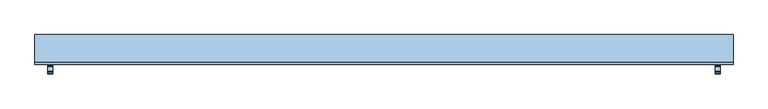
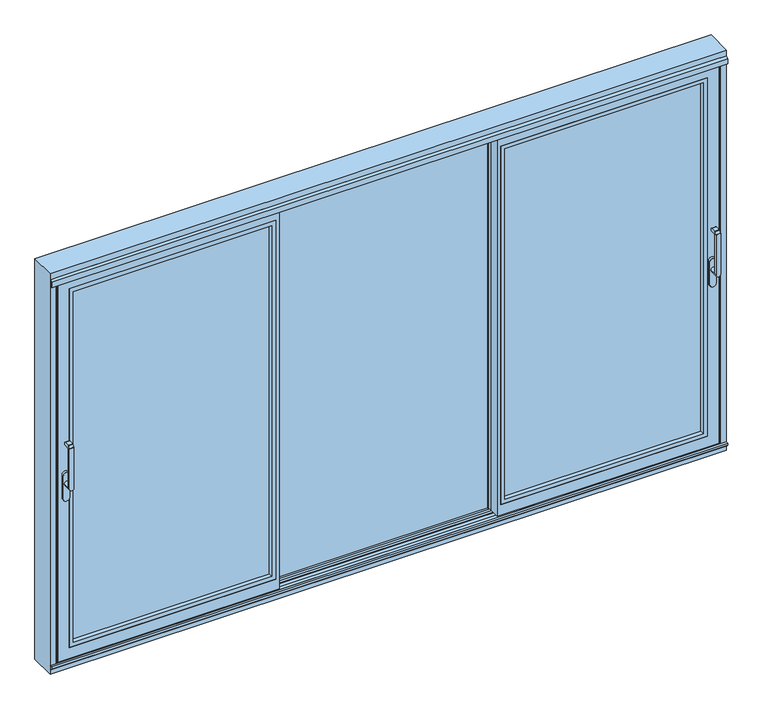
"""IFC4 building model written with IfcOpenShell, lengths in millimetres: window geometry."""

from ifc_helpers import new_model, si_unit, point, frame, frame_2d, origin, origin_with_axes, place, context, project, spatial, polyline, circle_curve, trimmed, segment, composite_curve, outline, extrude, faceted_brep, source, transform, mapped, element, save
from ifc_brep_helpers import plane_surface, cylinder_surface, revolved_surface, advanced_brep


def window_7bacae28(model_context):
    return source(origin(), model_context, "Body", "SolidModel", [
        advanced_brep(
        [(1723.75, -121.9999695, 999.0), (1723.75, -121.9999695, 1224.2360009), (1699.75, -121.9999695, 1224.2360009), (1699.75, -121.9999695, 999.0), (1723.75, -73.9999695, 999.005052), (1699.75, -73.9999695, 999.005052), (1699.75, -109.9999695, 999.005052), (1723.75, -109.9999695, 999.005052), (1699.75, -121.414183, 1225.6502145), (1699.75, -110.6501229, 1236.4142746), (1699.75, -109.2359094, 1237.000061), (1699.75, -81.9999695, 1237.000061), (1699.75, -79.9999695, 1235.000061), (1699.75, -79.9999695, 1224.000061), (1699.75, -81.9999695, 1222.000061), (1699.75, -102.6493095, 1222.000061), (1699.75, -109.9999695, 1214.6494011), (1723.75, -109.9999695, 1214.6494011), (1723.75, -102.6493095, 1222.000061), (1723.75, -81.9999695, 1222.000061), (1723.75, -79.9999695, 1224.000061), (1723.75, -79.9999695, 1235.000061), (1723.75, -81.9999695, 1237.000061), (1723.75, -109.2359094, 1237.000061), (1723.75, -110.6501229, 1236.4142746), (1723.75, -121.414183, 1225.6502145)],
        [
            (0, 1),
            (1, 2),
            (2, 3),
            (3, 0, circle_curve(frame((1711.75, -121.9999695, 999.005052), z_axis=(0.0, -1.0, 0.0), x_axis=(-1.0000000000000009, 0.0, 0.0)), 12.0)),
            (4, 5, circle_curve(frame((1711.75, -73.9999695, 999.005052), z_axis=(0.0, 1.0, 0.0), x_axis=(-1.0000000000000009, 0.0, 0.0)), 12.0)),
            (5, 4, circle_curve(frame((1711.75, -73.9999695, 999.005052), z_axis=(0.0, 1.0, 0.0), x_axis=(-1.0000000000000009, 0.0, 0.0)), 12.0)),
            (3, 6),
            (6, 5),
            (4, 7),
            (7, 0),
            (6, 7, circle_curve(frame((1711.75, -109.9999695, 999.005052), z_axis=(0.0, 1.0, 0.0), x_axis=(-1.0000000000000009, 0.0, 0.0)), 12.0)),
            (2, 8, circle_curve(frame((1699.75, -119.9999695, 1224.2360009), z_axis=(-1.0, 0.0, 0.0), x_axis=(0.0, 0.0, -1.0)), 2.0)),
            (8, 9),
            (9, 10, circle_curve(frame((1699.75, -109.2359094, 1235.000061), z_axis=(-1.0, 0.0, 0.0), x_axis=(0.0, 0.0, -1.0)), 2.0)),
            (10, 11),
            (11, 12, circle_curve(frame((1699.75, -81.9999695, 1235.000061), z_axis=(-1.0, 0.0, 0.0), x_axis=(0.0, 0.0, -1.0)), 2.0)),
            (12, 13),
            (13, 14, circle_curve(frame((1699.75, -81.9999695, 1224.000061), z_axis=(-1.0, 0.0, 0.0), x_axis=(0.0, 0.0, -1.0)), 2.0)),
            (14, 15),
            (15, 16, circle_curve(frame((1699.75, -102.6493095, 1214.6494011), z_axis=(1.0, 0.0, 0.0), x_axis=(0.0, 0.0, -1.0)), 7.35066)),
            (16, 6),
            (7, 17),
            (17, 18, circle_curve(frame((1723.75, -102.6493095, 1214.6494011), z_axis=(-1.0, 0.0, 0.0), x_axis=(0.0, 0.0, -1.0)), 7.35066)),
            (18, 19),
            (19, 20, circle_curve(frame((1723.75, -81.9999695, 1224.000061), z_axis=(1.0, 0.0, 0.0), x_axis=(0.0, 0.0, -1.0)), 2.0)),
            (20, 21),
            (21, 22, circle_curve(frame((1723.75, -81.9999695, 1235.000061), z_axis=(1.0, 0.0, 0.0), x_axis=(0.0, 0.0, -1.0)), 2.0)),
            (22, 23),
            (23, 24, circle_curve(frame((1723.75, -109.2359094, 1235.000061), z_axis=(1.0, 0.0, 0.0), x_axis=(0.0, 0.0, -1.0)), 2.0)),
            (24, 25),
            (25, 1, circle_curve(frame((1723.75, -119.9999695, 1224.2360009), z_axis=(1.0, 0.0, 0.0), x_axis=(0.0, 0.0, -1.0)), 2.0)),
            (16, 17),
            (15, 18),
            (14, 19),
            (13, 20),
            (12, 21),
            (11, 22),
            (10, 23),
            (9, 24),
            (8, 25),
        ],
        [
            plane_surface(frame((1699.75, -121.9999695, 999.005052), z_axis=(0.0, -1.0, 0.0), x_axis=(0.0, 0.0, 1.0))),
            plane_surface(frame((1699.75, -73.9999695, 999.005052), z_axis=(0.0, 1.0, 0.0), x_axis=(0.0, 0.0, -1.0))),
            cylinder_surface(frame((1711.75, -73.9999695, 999.005052), z_axis=(0.0, -1.0000000000000009, 0.0), x_axis=(-1.0000000000000009, 0.0, 0.0)), 12.0),
            plane_surface(frame((1699.75, -121.9999695, 1004.7503433), z_axis=(-1.0, 0.0, 0.0), x_axis=(0.0, 0.0, -1.0))),
            plane_surface(frame((1723.75, -121.9999695, 1004.7503433), z_axis=(1.0, 0.0, 0.0), x_axis=(0.0, 0.0, 1.0))),
            plane_surface(frame((1699.75, -109.9999695, 999.0), z_axis=(0.0, 1.0, 0.0), x_axis=(1.0, 0.0, 0.0))),
            revolved_surface(polyline([(1723.75, -102.6493095, 1207.2987411), (1699.75, -102.6493095, 1207.2987411)]), (1723.75, -102.6493095, 1214.6494011), (1.0000000000000009, 0.0, 0.0)),
            plane_surface(frame((1699.75, -102.6493095, 1222.000061), z_axis=(0.0, 0.0, -1.0), x_axis=(1.0, 0.0, 0.0))),
            cylinder_surface(frame((1723.75, -81.9999695, 1224.000061), z_axis=(-1.0000000000000009, 0.0, 0.0), x_axis=(0.0, 0.0, -1.0)), 2.0),
            plane_surface(frame((1699.75, -79.9999695, 1224.000061), z_axis=(0.0, 1.0, 0.0), x_axis=(1.0, 0.0, 0.0))),
            cylinder_surface(frame((1723.75, -81.9999695, 1235.000061), z_axis=(-1.0000000000000009, 0.0, 0.0), x_axis=(0.0, 0.0, -1.0)), 2.0),
            plane_surface(frame((1699.75, -81.9999695, 1237.000061), z_axis=(0.0, 0.0, 1.0), x_axis=(1.0, 0.0, 0.0))),
            cylinder_surface(frame((1723.75, -109.2359094, 1235.000061), z_axis=(-1.0000000000000009, 0.0, 0.0), x_axis=(0.0, 0.0, -1.0)), 2.0),
            plane_surface(frame((1699.75, -110.6501229, 1236.4142746), z_axis=(0.0, -0.7071067811865419, 0.7071067811865531), x_axis=(1.0, 0.0, 0.0))),
            cylinder_surface(frame((1723.75, -119.9999695, 1224.2360009), z_axis=(-1.0000000000000009, 0.0, 0.0), x_axis=(0.0, 0.0, -1.0)), 2.0),
        ],
        [
            (0, [[1, 2, 3, 4]]),
            (1, [[5, 6]]),
            (2, [[7, 8, -5, 9, 10, -4]]),
            (2, [[-8, 11, -9, -6]]),
            (3, [[12, 13, 14, 15, 16, 17, 18, 19, 20, 21, -7, -3]]),
            (4, [[-1, -10, 22, 23, 24, 25, 26, 27, 28, 29, 30, 31]]),
            (5, [[32, -22, -11, -21]]),
            (6, [[33, -23, -32, -20]]),
            (7, [[34, -24, -33, -19]]),
            (8, [[35, -25, -34, -18]]),
            (9, [[36, -26, -35, -17]]),
            (10, [[37, -27, -36, -16]]),
            (11, [[38, -28, -37, -15]]),
            (12, [[39, -29, -38, -14]]),
            (13, [[40, -30, -39, -13]]),
            (14, [[-2, -31, -40, -12]]),
        ],
    ),
        extrude(outline(composite_curve([segment(polyline([(917.2823932, 1728.5), (1044.0099288, 1728.5)]), True, "CONTINUOUS"), segment(trimmed(circle_curve(frame_2d((1044.0099288, 1711.75)), 16.75), [point((1044.0099288, 1728.5))], [point((1044.0099288, 1695.0))], False, "CARTESIAN"), True, "CONTINUOUS"), segment(polyline([(1044.0099288, 1695.0), (917.2823932, 1695.0)]), True, "CONTINUOUS"), segment(trimmed(circle_curve(frame_2d((917.2823932, 1711.75)), 16.75), [point((917.2823932, 1695.0))], [point((917.2823932, 1728.5))], False, "CARTESIAN"), True, "CONTINUOUS")], self_intersect=False)), frame((0.0, -73.9999695, 0.0), z_axis=(0.0, 1.0, 0.0), x_axis=(0.0, 0.0, 1.0)), (0.0, 0.0, 1.0), 13.9999695),
        extrude(outline(polyline([(596.6666667, -2.55e-05), (576.6666667, -2.55e-05), (576.6666667, 15.9999745), (596.6666667, 15.9999745), (596.6666667, -2.55e-05)])), frame((0.0, 0.0, 4.0), z_axis=(0.0, 0.0, 1.0), x_axis=(1.0, 0.0, 0.0)), (0.0, 0.0, 1.0), 2127.0),
        faceted_brep([(1668.0, -2.55e-05, 86.0), (616.6666667, -2.55e-05, 86.0), (616.6666667, -11.0000344, 86.0), (1668.0, -11.0000344, 86.0), (594.6666667, -11.0000344, 64.0), (594.6666667, -60.0, 64.0), (1690.0, -60.0, 64.0), (1690.0, -11.0000344, 64.0), (1750.0017184, -2.55e-05, 4.0), (1750.0017184, -5.4999923, 4.0), (616.6666667, -5.4999923, 4.0), (616.6666667, -11.0000344, 4.0), (594.6666667, -11.0000344, 4.0), (594.6666667, -54.5, 4.0), (1750.0, -54.5, 4.0), (1750.0, -60.0, 4.0), (576.6666667, -60.0, 4.0), (576.6666667, -2.55e-05, 4.0), (1720.0, -54.5, 34.0), (594.6666667, -54.5, 34.0), (594.6666667, -11.0000344, 34.0), (616.6666667, -11.0000344, 34.0), (616.6666667, -5.4999923, 34.0), (1720.0, -5.4999923, 34.0), (1668.0, -2.55e-05, 2049.0), (1668.0, -11.0000344, 2049.0), (1690.0, -11.0000344, 2071.0), (1690.0, -60.0, 2071.0), (1750.0, -60.0, 2131.0), (1750.0, -54.5, 2131.0), (1720.0, -54.5, 2101.0), (1720.0, -5.4999923, 2101.0), (1750.0017184, -5.4999923, 2131.0017184), (1750.0017184, -2.55e-05, 2131.0017184), (616.6666667, -11.0000344, 2049.0), (616.6666667, -2.55e-05, 2049.0), (594.6666667, -60.0, 2071.0), (594.6666667, -11.0000344, 2071.0), (576.6666667, -60.0, 2131.0), (594.6666667, -54.5, 2131.0), (594.6666667, -11.0000344, 2131.0), (616.6666667, -11.0000344, 2131.0), (616.6666667, -5.4999923, 2131.0), (576.6666667, -2.55e-05, 2131.0), (616.6666667, -5.4999923, 2101.0), (616.6666667, -11.0000344, 2101.0), (594.6666667, -11.0000344, 2101.0), (594.6666667, -54.5, 2101.0)], [[[0, 1, 2, 3]], [[4, 5, 6, 7]], [[8, 9, 10, 11, 12, 13, 14, 15, 16, 17]], [[18, 19, 20, 21, 22, 23]], [[24, 0, 3, 25]], [[26, 7, 6, 27]], [[28, 15, 14, 29]], [[30, 18, 23, 31]], [[32, 9, 8, 33]], [[25, 34, 35, 24]], [[27, 36, 37, 26]], [[38, 28, 29, 39, 40, 41, 42, 32, 33, 43]], [[31, 44, 45, 46, 47, 30]], [[43, 17, 16, 38]], [[16, 15, 28, 38], [27, 6, 5, 36]], [[33, 8, 17, 43], [0, 24, 35, 1]], [[35, 34, 2, 1]], [[41, 45, 44, 42]], [[10, 22, 21, 11]], [[26, 37, 4, 7], [3, 2, 34, 25]], [[11, 21, 20, 12]], [[40, 46, 45, 41]], [[37, 36, 5, 4]], [[12, 20, 19, 13]], [[39, 47, 46, 40]], [[14, 13, 19, 18, 30, 47, 39, 29]], [[23, 22, 10, 9, 32, 42, 44, 31]]]),
        extrude(outline(polyline([(64.0, 594.6666667), (64.0, 1690.0), (2071.0, 1690.0), (2071.0, 594.6666667), (64.0, 594.6666667)]), holes=[polyline([(86.012649, 616.6793157), (2048.987351, 616.6793157), (2048.987351, 1667.987351), (86.012649, 1667.987351), (86.012649, 616.6793157)])]), frame((0.0, -60.0, 0.0), z_axis=(0.0, 1.0, 0.0), x_axis=(0.0, 0.0, 1.0)), (0.0, 0.0, 1.0), 22.9999656),
        extrude(outline(polyline([(1690.0, -11.0000344), (1690.0, -37.0000344), (594.6666667, -37.0000344), (594.6666667, -11.0000344), (1690.0, -11.0000344)])), frame((0.0, 0.0, 64.0), z_axis=(0.0, 0.0, 1.0), x_axis=(1.0, 0.0, 0.0)), (0.0, 0.0, 1.0), 2007.0),
        advanced_brep(
        [(-1723.75, -121.9999695, 999.005052), (-1699.75, -121.9999695, 999.005052), (-1699.75, -121.9999695, 1224.2360009), (-1723.75, -121.9999695, 1224.2360009), (-1723.75, -73.9999695, 999.005052), (-1699.75, -73.9999695, 999.005052), (-1723.75, -109.9999695, 999.005052), (-1699.75, -109.9999695, 999.005052), (-1699.75, -109.9999695, 1214.6494011), (-1699.75, -102.6493095, 1222.000061), (-1699.75, -81.9999695, 1222.000061), (-1699.75, -79.9999695, 1224.000061), (-1699.75, -79.9999695, 1235.000061), (-1699.75, -81.9999695, 1237.000061), (-1699.75, -109.2359094, 1237.000061), (-1699.75, -110.6501229, 1236.4142746), (-1699.75, -121.414183, 1225.6502145), (-1723.75, -121.414183, 1225.6502145), (-1723.75, -110.6501229, 1236.4142746), (-1723.75, -109.2359094, 1237.000061), (-1723.75, -81.9999695, 1237.000061), (-1723.75, -79.9999695, 1235.000061), (-1723.75, -79.9999695, 1224.000061), (-1723.75, -81.9999695, 1222.000061), (-1723.75, -102.6493095, 1222.000061), (-1723.75, -109.9999695, 1214.6494011)],
        [
            (0, 1, circle_curve(frame((-1711.75, -121.9999695, 999.005052), z_axis=(0.0, -1.0, 0.0), x_axis=(1.0000000000000009, 0.0, 0.0)), 12.0)),
            (1, 2),
            (2, 3),
            (3, 0),
            (4, 5, circle_curve(frame((-1711.75, -73.9999695, 999.005052), z_axis=(0.0, 1.0, 0.0), x_axis=(1.0000000000000009, 0.0, 0.0)), 12.0)),
            (5, 4, circle_curve(frame((-1711.75, -73.9999695, 999.005052), z_axis=(0.0, 1.0, 0.0), x_axis=(1.0000000000000009, 0.0, 0.0)), 12.0)),
            (0, 6),
            (6, 4),
            (5, 7),
            (7, 1),
            (6, 7, circle_curve(frame((-1711.75, -109.9999695, 999.005052), z_axis=(0.0, 1.0, 0.0), x_axis=(1.0000000000000009, 0.0, 0.0)), 12.0)),
            (7, 8),
            (8, 9, circle_curve(frame((-1699.75, -102.6493095, 1214.6494011), z_axis=(-1.0, 0.0, 0.0), x_axis=(0.0, 0.0, -1.0)), 7.35066)),
            (9, 10),
            (10, 11, circle_curve(frame((-1699.75, -81.9999695, 1224.000061), z_axis=(1.0, 0.0, 0.0), x_axis=(0.0, 0.0, -1.0)), 2.0)),
            (11, 12),
            (12, 13, circle_curve(frame((-1699.75, -81.9999695, 1235.000061), z_axis=(1.0, 0.0, 0.0), x_axis=(0.0, 0.0, -1.0)), 2.0)),
            (13, 14),
            (14, 15, circle_curve(frame((-1699.75, -109.2359094, 1235.000061), z_axis=(1.0, 0.0, 0.0), x_axis=(0.0, 0.0, -1.0)), 2.0)),
            (15, 16),
            (16, 2, circle_curve(frame((-1699.75, -119.9999695, 1224.2360009), z_axis=(1.0, 0.0, 0.0), x_axis=(0.0, 0.0, -1.0)), 2.0)),
            (3, 17, circle_curve(frame((-1723.75, -119.9999695, 1224.2360009), z_axis=(-1.0, 0.0, 0.0), x_axis=(0.0, 0.0, -1.0)), 2.0)),
            (17, 18),
            (18, 19, circle_curve(frame((-1723.75, -109.2359094, 1235.000061), z_axis=(-1.0, 0.0, 0.0), x_axis=(0.0, 0.0, -1.0)), 2.0)),
            (19, 20),
            (20, 21, circle_curve(frame((-1723.75, -81.9999695, 1235.000061), z_axis=(-1.0, 0.0, 0.0), x_axis=(0.0, 0.0, -1.0)), 2.0)),
            (21, 22),
            (22, 23, circle_curve(frame((-1723.75, -81.9999695, 1224.000061), z_axis=(-1.0, 0.0, 0.0), x_axis=(0.0, 0.0, -1.0)), 2.0)),
            (23, 24),
            (24, 25, circle_curve(frame((-1723.75, -102.6493095, 1214.6494011), z_axis=(1.0, 0.0, 0.0), x_axis=(0.0, 0.0, -1.0)), 7.35066)),
            (25, 6),
            (25, 8),
            (24, 9),
            (23, 10),
            (22, 11),
            (21, 12),
            (20, 13),
            (19, 14),
            (18, 15),
            (17, 16),
        ],
        [
            plane_surface(frame((-1699.75, -121.9999695, 999.005052), z_axis=(0.0, -1.0, 0.0), x_axis=(0.0, 0.0, 1.0))),
            plane_surface(frame((-1699.75, -73.9999695, 999.005052), z_axis=(0.0, 1.0, 0.0), x_axis=(0.0, 0.0, -1.0))),
            cylinder_surface(frame((-1711.75, -73.9999695, 999.005052), z_axis=(0.0, -1.0000000000000009, 0.0), x_axis=(1.0000000000000009, 0.0, 0.0)), 12.0),
            plane_surface(frame((-1699.75, -121.9999695, 1004.7503433), z_axis=(1.0, 0.0, 0.0), x_axis=(0.0, 0.0, -1.0))),
            plane_surface(frame((-1723.75, -121.9999695, 1004.7503433), z_axis=(-1.0, 0.0, 0.0), x_axis=(0.0, 0.0, 1.0))),
            plane_surface(frame((-1699.75, -109.9999695, 999.0), z_axis=(0.0, 1.0, 0.0), x_axis=(-1.0, 0.0, 0.0))),
            revolved_surface(polyline([(-1723.75, -102.6493095, 1207.2987411), (-1699.75, -102.6493095, 1207.2987411)]), (-1723.75, -102.6493095, 1214.6494011), (-1.0000000000000009, 0.0, 0.0)),
            plane_surface(frame((-1699.75, -102.6493095, 1222.000061), z_axis=(0.0, 0.0, -1.0), x_axis=(-1.0, 0.0, 0.0))),
            cylinder_surface(frame((-1723.75, -81.9999695, 1224.000061), z_axis=(1.0000000000000009, 0.0, 0.0), x_axis=(0.0, 0.0, -1.0)), 2.0),
            plane_surface(frame((-1699.75, -79.9999695, 1224.000061), z_axis=(0.0, 1.0, 0.0), x_axis=(-1.0, 0.0, 0.0))),
            cylinder_surface(frame((-1723.75, -81.9999695, 1235.000061), z_axis=(1.0000000000000009, 0.0, 0.0), x_axis=(0.0, 0.0, -1.0)), 2.0),
            plane_surface(frame((-1699.75, -81.9999695, 1237.000061), z_axis=(0.0, 0.0, 1.0), x_axis=(-1.0, 0.0, 0.0))),
            cylinder_surface(frame((-1723.75, -109.2359094, 1235.000061), z_axis=(1.0000000000000009, 0.0, 0.0), x_axis=(0.0, 0.0, -1.0)), 2.0),
            plane_surface(frame((-1699.75, -110.6501229, 1236.4142746), z_axis=(0.0, -0.7071067811865419, 0.7071067811865531), x_axis=(-1.0, 0.0, 0.0))),
            cylinder_surface(frame((-1723.75, -119.9999695, 1224.2360009), z_axis=(1.0000000000000009, 0.0, 0.0), x_axis=(0.0, 0.0, -1.0)), 2.0),
        ],
        [
            (0, [[1, 2, 3, 4]]),
            (1, [[5, 6]]),
            (2, [[-1, 7, 8, -6, 9, 10]]),
            (2, [[-5, -8, 11, -9]]),
            (3, [[-2, -10, 12, 13, 14, 15, 16, 17, 18, 19, 20, 21]]),
            (4, [[22, 23, 24, 25, 26, 27, 28, 29, 30, 31, -7, -4]]),
            (5, [[-12, -11, -31, 32]]),
            (6, [[-13, -32, -30, 33]]),
            (7, [[-14, -33, -29, 34]]),
            (8, [[-15, -34, -28, 35]]),
            (9, [[-16, -35, -27, 36]]),
            (10, [[-17, -36, -26, 37]]),
            (11, [[-18, -37, -25, 38]]),
            (12, [[-19, -38, -24, 39]]),
            (13, [[-20, -39, -23, 40]]),
            (14, [[-21, -40, -22, -3]]),
        ],
    ),
        extrude(outline(composite_curve([segment(trimmed(circle_curve(frame_2d((917.2823932, -1711.75)), 16.75), [point((917.2823932, -1728.5))], [point((917.2823932, -1695.0))], False, "CARTESIAN"), True, "CONTINUOUS"), segment(polyline([(917.2823932, -1695.0), (1044.0099288, -1695.0)]), True, "CONTINUOUS"), segment(trimmed(circle_curve(frame_2d((1044.0099288, -1711.75)), 16.75), [point((1044.0099288, -1695.0))], [point((1044.0099288, -1728.5))], False, "CARTESIAN"), True, "CONTINUOUS"), segment(polyline([(1044.0099288, -1728.5), (917.2823932, -1728.5)]), True, "CONTINUOUS")], self_intersect=False)), frame((0.0, -73.9999695, 0.0), z_axis=(0.0, 1.0, 0.0), x_axis=(0.0, 0.0, 1.0)), (0.0, 0.0, 1.0), 13.9999695),
        extrude(outline(polyline([(-596.6666667, -2.55e-05), (-596.6666667, 15.9999745), (-576.6666667, 15.9999745), (-576.6666667, -2.55e-05), (-596.6666667, -2.55e-05)])), frame((0.0, 0.0, 4.0), z_axis=(0.0, 0.0, 1.0), x_axis=(1.0, 0.0, 0.0)), (0.0, 0.0, 1.0), 2127.0),
        faceted_brep([(-1668.0, -2.55e-05, 86.0), (-1668.0, -11.0000344, 86.0), (-616.6666667, -11.0000344, 86.0), (-616.6666667, -2.55e-05, 86.0), (-594.6666667, -11.0000344, 64.0), (-1690.0, -11.0000344, 64.0), (-1690.0, -60.0, 64.0), (-594.6666667, -60.0, 64.0), (-1750.0017184, -2.55e-05, 4.0), (-576.6666667, -2.55e-05, 4.0), (-576.6666667, -60.0, 4.0), (-1750.0, -60.0, 4.0), (-1750.0, -54.5, 4.0), (-594.6666667, -54.5, 4.0), (-594.6666667, -11.0000344, 4.0), (-616.6666667, -11.0000344, 4.0), (-616.6666667, -5.4999923, 4.0), (-1750.0017184, -5.4999923, 4.0), (-1720.0, -54.5, 34.0), (-1720.0, -5.4999923, 34.0), (-616.6666667, -5.4999923, 34.0), (-616.6666667, -11.0000344, 34.0), (-594.6666667, -11.0000344, 34.0), (-594.6666667, -54.5, 34.0), (-1668.0, -2.55e-05, 2049.0), (-1668.0, -11.0000344, 2049.0), (-1690.0, -11.0000344, 2071.0), (-1690.0, -60.0, 2071.0), (-1750.0, -60.0, 2131.0), (-1750.0, -54.5, 2131.0), (-1720.0, -54.5, 2101.0), (-1720.0, -5.4999923, 2101.0), (-1750.0017184, -5.4999923, 2131.0017184), (-1750.0017184, -2.55e-05, 2131.0017184), (-616.6666667, -2.55e-05, 2049.0), (-616.6666667, -11.0000344, 2049.0), (-594.6666667, -11.0000344, 2071.0), (-594.6666667, -60.0, 2071.0), (-576.6666667, -60.0, 2131.0), (-576.6666667, -2.55e-05, 2131.0), (-616.6666667, -5.4999923, 2131.0), (-616.6666667, -11.0000344, 2131.0), (-594.6666667, -11.0000344, 2131.0), (-594.6666667, -54.5, 2131.0), (-594.6666667, -54.5, 2101.0), (-594.6666667, -11.0000344, 2101.0), (-616.6666667, -11.0000344, 2101.0), (-616.6666667, -5.4999923, 2101.0)], [[[0, 1, 2, 3]], [[4, 5, 6, 7]], [[8, 9, 10, 11, 12, 13, 14, 15, 16, 17]], [[18, 19, 20, 21, 22, 23]], [[24, 25, 1, 0]], [[26, 27, 6, 5]], [[28, 29, 12, 11]], [[30, 31, 19, 18]], [[32, 33, 8, 17]], [[25, 24, 34, 35]], [[27, 26, 36, 37]], [[38, 39, 33, 32, 40, 41, 42, 43, 29, 28]], [[31, 30, 44, 45, 46, 47]], [[39, 38, 10, 9]], [[10, 38, 28, 11], [27, 37, 7, 6]], [[33, 39, 9, 8], [0, 3, 34, 24]], [[16, 15, 21, 20]], [[41, 40, 47, 46]], [[34, 3, 2, 35]], [[15, 14, 22, 21]], [[26, 5, 4, 36], [1, 25, 35, 2]], [[42, 41, 46, 45]], [[14, 13, 23, 22]], [[43, 42, 45, 44]], [[36, 4, 7, 37]], [[12, 29, 43, 44, 30, 18, 23, 13]], [[19, 31, 47, 40, 32, 17, 16, 20]]]),
        extrude(outline(polyline([(64.0, -594.6666667), (2071.0, -594.6666667), (2071.0, -1690.0), (64.0, -1690.0), (64.0, -594.6666667)]), holes=[polyline([(86.012649, -616.6793157), (86.012649, -1667.987351), (2048.987351, -1667.987351), (2048.987351, -616.6793157), (86.012649, -616.6793157)])]), frame((0.0, -60.0, 0.0), z_axis=(0.0, 1.0, 0.0), x_axis=(0.0, 0.0, 1.0)), (0.0, 0.0, 1.0), 22.9999656),
        extrude(outline(polyline([(-1690.0, -11.0000344), (-594.6666667, -11.0000344), (-594.6666667, -37.0000344), (-1690.0, -37.0000344), (-1690.0, -11.0000344)])), frame((0.0, 0.0, 64.0), z_axis=(0.0, 0.0, 1.0), x_axis=(1.0, 0.0, 0.0)), (0.0, 0.0, 1.0), 2007.0),
        extrude(outline(polyline([(600.6666361, 30.9998071), (-600.6666361, 30.9998071), (-600.6666361, 56.9998071), (600.6666361, 56.9998071), (600.6666361, 30.9998071)])), frame((0.0, 0.0, -25.0), z_axis=(0.0, 0.0, 1.0), x_axis=(1.0, 0.0, 0.0)), (0.0, 0.0, 1.0), 2189.0),
        extrude(outline(polyline([(2164.0, -600.6666361), (-25.0, -600.6666361), (-25.0, 600.6666361), (2164.0, 600.6666361), (2164.0, -600.6666361)]), holes=[polyline([(2141.9998171, 578.6664532), (-2.9998171, 578.6664532), (-2.9998171, -578.6664532), (2141.9998171, -578.6664532), (2141.9998171, 578.6664532)])]), frame((0.0, 56.9998071, 0.0), z_axis=(0.0, 1.0, 0.0), x_axis=(0.0, 0.0, 1.0)), (0.0, 0.0, 1.0), 23.0001929),
        extrude(outline(polyline([(-1739.0, 5.0001885), (-1758.0007202, 5.0001885), (-1758.0007202, 9.0001885), (-1742.0, 9.0001885), (-1742.0, 36.4449661), (-1753.7767036, 61.7001885), (-1764.0, 61.7001885), (-1764.0, 79.9999826), (-1758.999904, 79.9999826), (-1739.0, 37.1100501), (-1739.0, 5.0001885)])), origin_with_axes(), (0.0, 0.0, 1.0), 2120.9),
        extrude(outline(polyline([(1739.0, 5.0001885), (1739.0, 37.1100501), (1758.999904, 79.9999826), (1764.0, 79.9999826), (1764.0, 61.7001885), (1753.7767036, 61.7001885), (1742.0, 36.4449661), (1742.0, 9.0001885), (1758.0007202, 9.0001885), (1758.0007202, 5.0001885), (1739.0, 5.0001885)])), origin_with_axes(), (0.0, 0.0, 1.0), 2120.9),
        faceted_brep([(-1790.0, 80.0, -51.0), (1790.0, 80.0, -51.0), (1790.0, -60.0, -51.0), (-1790.0, -60.0, -51.0), (-1790.0, -60.0, 2190.0), (-1790.0, 80.0, 2190.0), (1758.0007202, 20.0, -25.0), (1758.0007202, -8.7999745, -25.0), (1758.0007202, -8.7999745, 2155.2007202), (1758.0007202, 20.0, 2155.2007202), (-1742.0, 30.9998071, 2142.0), (-1742.0, 30.9998071, -3.0), (-616.6666667, 30.9998071, -3.0), (-616.6666667, 30.9998071, -25.0), (-1764.0, 30.9998071, -25.0), (-1764.0, 30.9998071, 2164.0), (-616.6666667, 30.9998071, 2164.0), (-616.6666667, 30.9998071, 2142.0), (-600.6666361, 30.9998071, -25.0), (-600.6666361, 30.9998071, 2164.0), (600.6666361, 30.9998071, 2164.0), (600.6666361, 30.9998071, -25.0), (-576.6666667, 30.9998071, 2142.0), (-576.6666667, 30.9998071, -3.0), (576.6666667, 30.9998071, -3.0), (576.6666667, 30.9998071, 2142.0), (1742.0, 30.9998071, -3.0), (1742.0, 30.9998071, 2142.0), (616.6666667, 30.9998071, 2142.0), (616.6666667, 30.9998071, 2164.0), (1764.0, 30.9998071, 2164.0), (1764.0, 30.9998071, -25.0), (616.6666667, 30.9998071, -25.0), (616.6666667, 30.9998071, -3.0), (1742.0, 20.0, -3.0), (1742.0, 20.0, 2142.0), (616.6666667, 20.0, -3.0), (616.6666667, 20.0, -25.0), (616.6666667, 20.0, 2155.2007202), (616.6666667, 20.0, 2142.0), (-596.6666667, 20.0, 2155.2007202), (-596.6666667, 20.0, -25.0), (596.6666667, 20.0, -25.0), (596.6666667, 20.0, 2155.2007202), (-576.6666667, 20.0, -3.0), (-576.6666667, 20.0, 2142.0), (576.6666667, 20.0, 2142.0), (576.6666667, 20.0, -3.0), (-1742.0, 20.0, -3.0), (-1742.0, 20.0, 2142.0), (-616.6666667, 20.0, 2142.0), (-616.6666667, 20.0, 2155.2007202), (-1758.0007202, 20.0, 2155.2007202), (-1758.0007202, 20.0, -25.0), (-616.6666667, 20.0, -25.0), (-616.6666667, 20.0, -3.0), (1790.0, -60.0, 2190.0), (1790.0, 80.0, 2190.0), (-1764.0, 80.0, 2164.0), (-1764.0, 80.0, -25.0), (-616.6666667, 80.0, -25.0), (-616.6666667, 80.0, 2164.0), (-600.6666361, 80.0, -25.0), (600.6666361, 80.0, -25.0), (600.6666361, 80.0, 2164.0), (-600.6666361, 80.0, 2164.0), (1764.0, 80.0, -25.0), (1764.0, 80.0, 2164.0), (616.6666667, 80.0, 2164.0), (616.6666667, 80.0, -25.0), (1758.0, -60.0, -19.0), (-1758.0, -60.0, -19.0), (-1758.0, -60.0, 2157.5), (1758.0, -60.0, 2157.5), (1758.0, -51.2, -19.0), (1758.0, -51.2, 2157.5), (-1758.0, -51.2, -19.0), (-1758.0, -51.2, 2157.5), (1750.0, -51.2, -11.0), (-1750.0, -51.2, -11.0), (-1750.0, -51.2, 2150.0), (1750.0, -51.2, 2150.0), (1742.0, -48.2882381, -3.0), (1742.0, -48.2882381, 2142.0), (1742.0, -48.2882381, 2130.9117619), (1746.7030271, -50.0, 2129.2), (1746.7030271, -50.0, 2122.0), (1742.0, -48.2882381, 2122.0), (-1742.0, -48.2882381, -3.0), (1742.0, -11.7119985, -3.0), (-1742.0, -11.7120237, -3.0), (-1742.0, -48.2882381, 2122.0), (-1746.7030271, -50.0, 2122.0), (-1746.7030271, -50.0, 2129.2), (-1742.0, -48.2882381, 2130.9117619), (-1742.0, -48.2882381, 2142.0), (1742.0, -44.2, 2142.0), (1742.0, -44.2, 2135.0), (1742.0, -11.7119985, 2122.0), (1742.0, -11.7119985, 2155.2007202), (1742.0, -11.7119985, 2130.9119985), (1742.0, -15.8, 2135.0), (1742.0, -15.8, 2155.2007202), (1750.0007202, -8.7999745, -11.0007902), (-1750.0007202, -8.7999745, -11.0007902), (-1742.0, -11.7119993, 2122.0), (-1742.0, -44.2, 2135.0), (-1742.0, -44.2, 2142.0), (-1742.0, -11.7119992, 2130.9119986), (-1742.0, -11.7119989, 2155.2007202), (-1742.0, -15.8, 2155.2007202), (-1742.0, -15.8, 2135.0), (1746.7036773, -10.0, 2122.0), (1746.7036773, -10.0, 2129.2), (1750.0007202, -8.7999745, 2155.2007202), (-1758.0007202, -8.7999745, -25.0), (-1758.0007202, -8.7999745, 2155.2007202), (-1750.0007202, -8.7999745, 2155.2007202), (-1746.7036773, -10.0, 2129.2), (-1746.7036773, -10.0, 2122.0), (616.6666667, 4.0, -25.0), (596.6666667, 4.0, -25.0), (-596.6666667, 4.0, -25.0), (-616.6666667, 4.0, -25.0), (-616.6666667, 4.0, 2155.2007202), (-596.6666667, 4.0, 2155.2007202), (596.6666667, 4.0, 2155.2007202), (616.6666667, 4.0, 2155.2007202)], [[[0, 1, 2, 3]], [[0, 3, 4, 5]], [[6, 7, 8, 9]], [[10, 11, 12, 13, 14, 15, 16, 17]], [[18, 19, 20, 21], [22, 23, 24, 25]], [[26, 27, 28, 29, 30, 31, 32, 33]], [[26, 34, 35, 27]], [[35, 34, 36, 37, 6, 9, 38, 39]], [[40, 41, 42, 43], [44, 45, 46, 47]], [[48, 49, 50, 51, 52, 53, 54, 55]], [[56, 57, 5, 4]], [[57, 1, 0, 5], [58, 59, 60, 61], [62, 63, 64, 65], [66, 67, 68, 69]], [[57, 56, 2, 1]], [[3, 2, 56, 4], [70, 71, 72, 73]], [[74, 70, 73, 75]], [[70, 74, 76, 71]], [[76, 74, 75, 77], [78, 79, 80, 81]], [[71, 76, 77, 72]], [[82, 78, 81, 83, 84, 85, 86, 87]], [[78, 82, 88, 79]], [[82, 89, 90, 88]], [[79, 88, 91, 92, 93, 94, 95, 80]], [[84, 83, 96, 97]], [[89, 82, 87, 98]], [[99, 100, 101, 102]], [[89, 103, 104, 90]], [[88, 90, 105, 91]], [[95, 94, 106, 107]], [[108, 109, 110, 111]], [[103, 89, 98, 112, 113, 100, 99, 114]], [[104, 103, 114, 8, 7, 115, 116, 117]], [[90, 104, 117, 109, 108, 118, 119, 105]], [[7, 6, 37, 120, 121, 42, 41, 122, 123, 54, 53, 115]], [[115, 53, 52, 116]], [[34, 26, 33, 36]], [[11, 48, 55, 12]], [[23, 44, 47, 24]], [[48, 11, 10, 49]], [[59, 14, 13, 60]], [[62, 18, 21, 63]], [[31, 66, 69, 32]], [[14, 59, 58, 15]], [[66, 31, 30, 67]], [[20, 19, 65, 64]], [[15, 58, 61, 16]], [[67, 30, 29, 68]], [[27, 35, 39, 28]], [[49, 10, 17, 50]], [[45, 22, 25, 46]], [[102, 110, 109, 117, 116, 52, 51, 124, 125, 40, 43, 126, 127, 38, 9, 8, 114, 99]], [[119, 112, 98, 87, 86, 92, 91, 105]], [[118, 113, 112, 119]], [[111, 101, 100, 113, 118, 108]], [[110, 102, 101, 111]], [[83, 95, 107, 96]], [[106, 97, 96, 107]], [[93, 85, 84, 97, 106, 94]], [[81, 80, 95, 83]], [[92, 86, 85, 93]], [[73, 72, 77, 75]], [[69, 68, 29, 28, 39, 38, 127, 120, 37, 36, 33, 32]], [[126, 121, 120, 127]], [[43, 42, 121, 126]], [[125, 122, 41, 40]], [[124, 123, 122, 125]], [[61, 60, 13, 12, 55, 54, 123, 124, 51, 50, 17, 16]], [[45, 44, 23, 22]], [[47, 46, 25, 24]], [[62, 65, 19, 18]], [[64, 63, 21, 20]]]),
        extrude(outline(polyline([(-73.0, -2.0), (-60.0, -2.0), (-60.0, -21.8), (-66.4, -21.8), (-73.0, -15.2), (-73.0, -2.0)])), frame((-1790.0, 0.0, 0.0), z_axis=(1.0, 0.0, 0.0), x_axis=(0.0, 1.0, 0.0)), (0.0, 0.0, 1.0), 3580.0),
        extrude(outline(polyline([(-51.2000255, 2150.5), (-68.5243789, 2150.5), (-71.0000233, 2149.0706861), (-71.0000233, 2121.5), (-72.6000233, 2121.5), (-72.6000233, 2150.225198), (-59.9996967, 2157.5), (-51.2000255, 2157.5), (-51.2000255, 2150.5)])), frame((-1790.0, 0.0, 0.0), z_axis=(1.0, 0.0, 0.0), x_axis=(0.0, 1.0, 0.0)), (0.0, 0.0, 1.0), 3580.0),
        extrude(outline(polyline([(4.0, 0.0), (80.0, 0.0), (80.0, -25.0), (60.5987802, -25.0), (60.5987802, -3.0), (12.8, -3.0), (12.8, -11.0), (4.0, -11.0), (4.0, 0.0)])), frame((616.6666667, 0.0, 0.0), z_axis=(1.0, 0.0, 0.0), x_axis=(0.0, 1.0, 0.0)), (0.0, 0.0, 1.0), 1147.3333333),
        extrude(outline(polyline([(-60.0, 0.0), (-41.9001183, 0.0), (-41.9001183, -3.0), (-48.2882381, -3.0), (-51.2, -11.0), (-51.2, -19.0), (-60.0, -19.0), (-60.0, 0.0)])), frame((-1739.0, 0.0, 0.0), z_axis=(1.0, 0.0, 0.0), x_axis=(0.0, 1.0, 0.0)), (0.0, 0.0, 1.0), 3478.0),
        extrude(outline(polyline([(-18.1001183, 0.0), (-2.55e-05, 0.0), (-2.55e-05, -25.0), (-8.7999745, -25.0), (-8.7999745, -11.0007902), (-11.712024, -3.0), (-18.1001183, -3.0), (-18.1001183, 0.0)])), frame((-1739.0, 0.0, 0.0), z_axis=(1.0, 0.0, 0.0), x_axis=(0.0, 1.0, 0.0)), (0.0, 0.0, 1.0), 3478.0),
        extrude(outline(polyline([(4.0, 0.0), (80.0, 0.0), (80.0, -25.0), (60.5987802, -25.0), (60.5987802, -3.0), (12.8, -3.0), (12.8, -11.0), (4.0, -11.0), (4.0, 0.0)])), frame((-1764.0, 0.0, 0.0), z_axis=(1.0, 0.0, 0.0), x_axis=(0.0, 1.0, 0.0)), (0.0, 0.0, 1.0), 1147.3333333),
        extrude(outline(polyline([(80.0, 2120.9), (4.0, 2120.9), (4.0, 2131.0), (20.0, 2131.0), (20.0, 2142.0), (30.9998071, 2142.0), (30.9998071, 2131.0), (60.6, 2131.0), (60.6, 2164.0), (80.0, 2164.0), (80.0, 2120.9)])), frame((-1764.0, 0.0, 0.0), z_axis=(1.0, 0.0, 0.0), x_axis=(0.0, 1.0, 0.0)), (0.0, 0.0, 1.0), 1147.3333333),
        extrude(outline(polyline([(80.0, 2120.9), (4.0, 2120.9), (4.0, 2131.0), (20.0, 2131.0), (20.0, 2142.0), (30.9998071, 2142.0), (30.9998071, 2131.0), (60.6, 2131.0), (60.6, 2164.0), (80.0, 2164.0), (80.0, 2120.9)])), frame((616.6666667, 0.0, 0.0), z_axis=(1.0, 0.0, 0.0), x_axis=(0.0, 1.0, 0.0)), (0.0, 0.0, 1.0), 1147.3333333),
    ])


if __name__ == "__main__":
    model = new_model("IFC4")
    model_context = context("Model", 3, world=origin())
    ifc_project = project(units=[si_unit("LENGTHUNIT", "METRE", prefix="MILLI")], contexts=[model_context])
    site = spatial("IfcSite", under=ifc_project)
    building = spatial("IfcBuilding", under=site)
    placement = place(None, origin())
    window_shape = window_7bacae28(model_context)
    element("IfcWindow", 1, at=placement, inside=building, context=model_context, shape_type="MappedRepresentation", body=[
        mapped(window_shape, transform((0.0, 0.0, 0.0), x_axis=(1.0, 0.0, 0.0), y_axis=(0.0, 1.0, 0.0), z_axis=(0.0, 0.0, 1.0))),
    ])
    save(model, "model.ifc")
